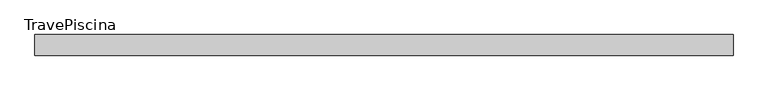
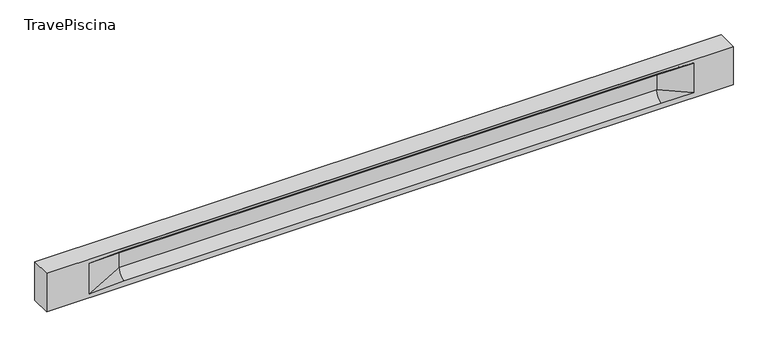
"""IFC4 building model written with IfcOpenShell, lengths in millimetres: beam geometry, TravePiscina."""

from ifc_helpers import new_model, si_unit, frame, origin, place, context, project, spatial, polyline, circle_curve, source, transform, mapped, element, save
from ifc_brep_helpers import plane_surface, revolved_surface, spline_surface, advanced_brep


def travepiscina_1c5dba64(model_context):
    return source(origin(), model_context, "Body", "AdvancedBrep", [
        advanced_brep(
        [(8471.5, -250.0, 500.0), (8471.5, -250.0, -500.0), (8471.5, 250.0, -500.0), (8471.5, 250.0, 500.0), (-8471.5, -250.0, 500.0), (-8471.5, -250.0, -500.0), (7496.5, -250.0, -362.0), (6696.5, -250.0, -360.0), (-6571.5, -250.0, -360.0), (-7421.5, -250.0, -400.0), (-7421.5, -250.0, 400.0), (-6571.5, -250.0, 435.0), (6696.5, -250.0, 435.0), (7496.5, -250.0, 400.0), (-8471.5, 250.0, -500.0), (-8471.5, 250.0, 500.0), (7496.5, 250.0, 400.0), (6696.5, 250.0, 435.0), (-6571.5, 250.0, 435.0), (-7421.5, 250.0, 400.0), (-7421.5, 250.0, -400.0), (-6571.5, 250.0, -360.0), (6696.5, 250.0, -360.0), (7496.5, 250.0, -362.0), (6696.5, 155.0, 405.0), (-6571.5, 155.0, 405.0), (-6571.5, -60.0, 262.777021), (6696.5, -60.0, 262.777021), (6696.5, -155.0, 405.0), (-6571.5, -155.0, 405.0), (-6571.5, 60.0, 262.777021), (6696.5, 60.0, 262.777021), (6696.5, 60.0, -120.0), (-6571.5, 60.0, -120.0), (-6571.5, -60.0, -120.0), (6696.5, -60.0, -120.0)],
        [
            (0, 1),
            (1, 2),
            (2, 3),
            (3, 0),
            (0, 4),
            (4, 5),
            (5, 1),
            (6, 7),
            (7, 8),
            (8, 9),
            (9, 10),
            (10, 11),
            (11, 12),
            (12, 13),
            (13, 6),
            (5, 14),
            (14, 2),
            (14, 15),
            (15, 3),
            (16, 17),
            (17, 18),
            (18, 19),
            (19, 20),
            (20, 21),
            (21, 22),
            (22, 23),
            (23, 16),
            (15, 4),
            (17, 24),
            (24, 25),
            (25, 18),
            (26, 27),
            (27, 28, circle_curve(frame((6696.5, -213.9598725, 262.777021), z_axis=(1.0, 0.0, 0.0), x_axis=(0.0, 1.0, 0.0)), 153.9598725)),
            (28, 29),
            (29, 26, circle_curve(frame((-6571.5, -213.9598725, 262.777021), z_axis=(-1.0, 0.0, 0.0), x_axis=(0.0, 1.0, 0.0)), 153.9598725)),
            (30, 31),
            (31, 32),
            (32, 33),
            (33, 30),
            (28, 12),
            (11, 29),
            (34, 35),
            (35, 27),
            (26, 34),
            (25, 19),
            (22, 32, circle_curve(frame((6696.5, 306.5789474, -120.0), z_axis=(-1.0, 0.0, 0.0), x_axis=(0.0, 1.0, 0.0)), 246.5789474)),
            (32, 23),
            (10, 29),
            (10, 26),
            (13, 28),
            (27, 13),
            (30, 19),
            (25, 30, circle_curve(frame((-6571.5, 213.9598725, 262.777021), z_axis=(1.0, 0.0, 0.0), x_axis=(0.0, 1.0, 0.0)), 153.9598725)),
            (9, 34),
            (8, 34, circle_curve(frame((-6571.5, -306.5789474, -120.0), z_axis=(1.0, 0.0, 0.0), x_axis=(0.0, 1.0, 0.0)), 246.5789474)),
            (20, 33),
            (33, 21, circle_curve(frame((-6571.5, 306.5789474, -120.0), z_axis=(1.0, 0.0, 0.0), x_axis=(0.0, 1.0, 0.0)), 246.5789474)),
            (35, 6),
            (35, 7, circle_curve(frame((6696.5, -306.5789474, -120.0), z_axis=(-1.0, 0.0, 0.0), x_axis=(0.0, 1.0, 0.0)), 246.5789474)),
            (31, 16),
            (31, 24, circle_curve(frame((6696.5, 213.9598725, 262.777021), z_axis=(-1.0, 0.0, 0.0), x_axis=(0.0, 1.0, 0.0)), 153.9598725)),
            (24, 16),
        ],
        [
            plane_surface(frame((8471.5, 0.0, 0.0), z_axis=(1.0, 0.0, 0.0), x_axis=(0.0, 0.0, 1.0))),
            plane_surface(frame((8471.5, -250.0, 500.0), z_axis=(0.0, -1.0, 0.0), x_axis=(-1.0, 0.0, 0.0))),
            plane_surface(frame((8471.5, -250.0, -500.0), z_axis=(0.0, 0.0, -1.0), x_axis=(-1.0, 0.0, 0.0))),
            plane_surface(frame((8471.5, 250.0, -500.0), z_axis=(0.0, 1.0, 0.0), x_axis=(-1.0, 0.0, 0.0))),
            plane_surface(frame((8471.5, 250.0, 500.0), z_axis=(0.0, 0.0, 1.0), x_axis=(-1.0, 0.0, 0.0))),
            plane_surface(frame((-6571.5, 250.0, 435.0), z_axis=(0.0, 0.30113136793710954, -0.9535826651341378), x_axis=(1.0, 0.0, 0.0))),
            plane_surface(frame((-8471.5, 0.0, 0.0), z_axis=(-1.0, 0.0, 0.0), x_axis=(0.0, 0.0, 1.0))),
            revolved_surface(polyline([(6696.5, -60.0, 262.777021), (-6571.5, -60.0, 262.777021)]), (-6571.5, -213.9598725, 262.777021), (1.0, 0.0, 0.0)),
            plane_surface(frame((-6571.5, 60.0, 262.777021), z_axis=(0.0, 1.0, 0.0), x_axis=(1.0, 0.0, 0.0))),
            plane_surface(frame((-6571.5, -155.0, 405.0), z_axis=(0.0, -0.30113136793710693, -0.9535826651341387), x_axis=(1.0, 0.0, 0.0))),
            plane_surface(frame((-6571.5, -60.0, -120.0), z_axis=(0.0, -1.0, 0.0), x_axis=(1.0, 0.0, 0.0))),
            plane_surface(frame((-7421.5, 250.0, 400.0), z_axis=(0.03923493491469434, 0.30089950084952793, -0.9528484193567961), x_axis=(0.0, 0.9535826651341378, 0.30113136793710954))),
            spline_surface(2, 1, [[(6696.5, 250.0, -360.0), (7496.5, 250.0, -362.0)], [(6696.5, 60.00000002887427, -315.20833329480604), (7496.5, 250.0, -362.0)], [(6696.5, 60.0, -120.0), (7496.5, 250.0, -362.0)]], [3, 3], [2, 2], [0.0, 1.0], [0.0, 1.0], weights=[[1.0, 1.0], [0.7840458245391329, 0.7840458245391329], [1.0, 1.0]]),
            plane_surface(frame((-7421.5, -250.0, 400.0), z_axis=(0.03923493491469438, -0.3008995008495253, -0.952848419356797), x_axis=(0.0, 0.9535826651341387, -0.30113136793710693))),
            spline_surface(2, 1, [[(-7421.5, -250.0, 400.0), (-6571.5, -155.0, 405.0)], [(-7421.5, -250.0, 400.0), (-6571.5, -60.00000008030692, 365.6168572114734)], [(-7421.5, -250.0, 400.0), (-6571.5, -60.0, 262.777021)]], [3, 3], [2, 2], [0.0, 1.0], [0.0, 1.0], weights=[[1.0, 1.0], [0.8315515924557569, 0.8315515924557569], [1.0, 1.0]]),
            spline_surface(2, 1, [[(6696.5, -155.0, 405.0), (7496.5, -250.0, 400.0)], [(6696.5, -60.00000008030692, 365.6168572114734), (7496.5, -250.0, 400.0)], [(6696.5, -60.0, 262.777021), (7496.5, -250.0, 400.0)]], [3, 3], [2, 2], [0.0, 1.0], [0.0, 1.0], weights=[[1.0, 1.0], [0.8315515924557569, 0.8315515924557569], [1.0, 1.0]]),
            plane_surface(frame((6696.5, -202.5, 420.0), z_axis=(-0.04168298285568746, -0.30086965068766125, -0.9527538938442274), x_axis=(0.0, 0.9535826651341387, -0.30113136793710693))),
            spline_surface(2, 1, [[(-7421.5, 250.0, 400.0), (-6571.5, 60.0, 262.777021)], [(-7421.5, 250.0, 400.0), (-6571.5, 59.99999995452379, 365.6168572954922)], [(-7421.5, 250.0, 400.0), (-6571.5, 155.0, 405.0)]], [3, 3], [2, 2], [0.0, 1.0], [0.0, 1.0], weights=[[1.0, 1.0], [0.8315515921160737, 0.8315515921160737], [1.0, 1.0]]),
            plane_surface(frame((-7421.5, -250.0, 0.0), z_axis=(0.2181459637070523, -0.9759161534262671, 0.0), x_axis=(0.0, 0.0, -1.0))),
            spline_surface(2, 1, [[(-7421.5, -250.0, -400.0), (-6571.5, -60.0, -120.0)], [(-7421.5, -250.0, -400.0), (-6571.5, -59.99999998020837, -315.20833333333337)], [(-7421.5, -250.0, -400.0), (-6571.5, -250.0, -360.0)]], [3, 3], [2, 2], [0.0, 1.0], [0.0, 1.0], weights=[[1.0, 1.0], [0.7840458244617614, 0.7840458244617614], [1.0, 1.0]]),
            spline_surface(2, 1, [[(-7421.5, 250.0, -400.0), (-6571.5, 250.0, -360.0)], [(-7421.5, 250.0, -400.0), (-6571.5, 60.00000002887427, -315.20833329480604)], [(-7421.5, 250.0, -400.0), (-6571.5, 60.0, -120.0)]], [3, 3], [2, 2], [0.0, 1.0], [0.0, 1.0], weights=[[1.0, 1.0], [0.7840458245391329, 0.7840458245391329], [1.0, 1.0]]),
            plane_surface(frame((-7421.5, 250.0, 0.0), z_axis=(0.21814596370704822, 0.9759161534262681, 0.0), x_axis=(0.0, 0.0, 1.0))),
            plane_surface(frame((6696.5, -60.0, 71.3885105), z_axis=(-0.23107243079589737, -0.9729365507195602, 0.0), x_axis=(0.0, 0.0, -1.0))),
            spline_surface(2, 1, [[(6696.5, -60.0, -120.0), (7496.5, -250.0, -362.0)], [(6696.5, -59.99999998020837, -315.20833333333337), (7496.5, -250.0, -362.0)], [(6696.5, -250.0, -360.0), (7496.5, -250.0, -362.0)]], [3, 3], [2, 2], [0.0, 1.0], [0.0, 1.0], weights=[[1.0, 1.0], [0.7840458244617614, 0.7840458244617614], [1.0, 1.0]]),
            plane_surface(frame((6696.5, 60.0, 71.3885105), z_axis=(-0.23107243079589093, 0.9729365507195618, 0.0), x_axis=(0.0, 0.0, 1.0))),
            spline_surface(2, 1, [[(6696.5, 60.0, 262.777021), (7496.5, 250.0, 400.0)], [(6696.5, 59.99999995452379, 365.6168572954922), (7496.5, 250.0, 400.0)], [(6696.5, 155.0, 405.0), (7496.5, 250.0, 400.0)]], [3, 3], [2, 2], [0.0, 1.0], [0.0, 1.0], weights=[[1.0, 1.0], [0.8315515921160737, 0.8315515921160737], [1.0, 1.0]]),
            plane_surface(frame((6696.5, 202.5, 420.0), z_axis=(-0.04168298285568672, 0.30086965068766386, -0.9527538938442265), x_axis=(0.0, 0.9535826651341378, 0.30113136793710954))),
            revolved_surface(polyline([(6696.5, 367.919745, 262.777021), (-6571.5, 367.919745, 262.777021)]), (-6571.5, 213.9598725, 262.777021), (1.0, 0.0, 0.0)),
            revolved_surface(polyline([(6696.5, 553.1578948, -120.0), (-6571.5, 553.1578948, -120.0)]), (-6571.5, 306.5789474, -120.0), (1.0, 0.0, 0.0)),
            revolved_surface(polyline([(6696.5, -60.0, -120.0), (-6571.5, -60.0, -120.0)]), (-6571.5, -306.5789474, -120.0), (1.0, 0.0, 0.0)),
        ],
        [
            (0, [[1, 2, 3, 4]]),
            (1, [[-1, 5, 6, 7], [8, 9, 10, 11, 12, 13, 14, 15]]),
            (2, [[-2, -7, 16, 17]]),
            (3, [[-3, -17, 18, 19], [20, 21, 22, 23, 24, 25, 26, 27]]),
            (4, [[-5, -4, -19, 28]]),
            (5, [[-21, 29, 30, 31]]),
            (6, [[-28, -18, -16, -6]]),
            (7, [[32, 33, 34, 35]]),
            (8, [[36, 37, 38, 39]]),
            (9, [[-34, 40, -13, 41]]),
            (10, [[42, 43, -32, 44]]),
            (11, [[45, -22, -31]]),
            (12, [[-26, 46, 47]]),
            (13, [[-12, 48, -41]]),
            (14, [[-48, 49, -35]]),
            (15, [[50, -33, 51]]),
            (16, [[-14, -40, -50]]),
            (17, [[52, -45, 53]]),
            (18, [[-49, -11, 54, -44]]),
            (19, [[-54, -10, 55]]),
            (20, [[-24, 56, 57]]),
            (21, [[-52, -39, -56, -23]]),
            (22, [[-51, -43, 58, -15]]),
            (23, [[-58, 59, -8]]),
            (24, [[-47, -37, 60, -27]]),
            (25, [[-60, 61, 62]]),
            (26, [[-62, -29, -20]]),
            (27, [[-30, -61, -36, -53]]),
            (28, [[-38, -46, -25, -57]]),
            (29, [[-9, -59, -42, -55]]),
        ],
    ),
    ])


if __name__ == "__main__":
    model = new_model("IFC4")
    model_context = context("Model", 3, world=origin())
    ifc_project = project(units=[si_unit("LENGTHUNIT", "METRE", prefix="MILLI")], contexts=[model_context])
    site = spatial("IfcSite", under=ifc_project)
    building = spatial("IfcBuilding", under=site)
    placement = place(None, origin())
    travepiscina_shape = travepiscina_1c5dba64(model_context)
    element("IfcBeam", 1, ObjectType="TravePiscina", at=placement, inside=building, context=model_context, shape_type="MappedRepresentation", body=[
        mapped(travepiscina_shape, transform((0.0, 0.0, 0.0), x_axis=(1.0, 0.0, 0.0), y_axis=(0.0, 1.0, 0.0), z_axis=(0.0, 0.0, 1.0))),
    ])
    save(model, "model.ifc")
